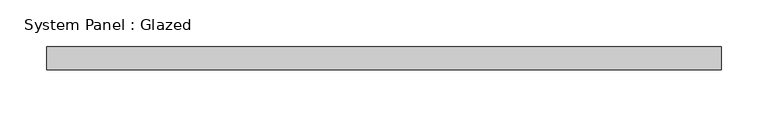
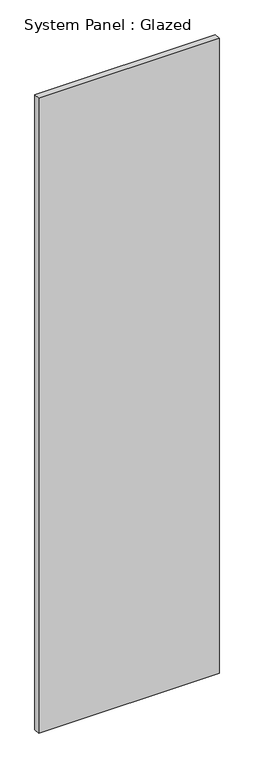
"""IFC4 building model written with IfcOpenShell, lengths in millimetres: plate geometry, System Panel : Glazed."""

from ifc_helpers import new_model, si_unit, origin, origin_with_axes, place, context, project, spatial, polyline, outline, extrude, source, transform, mapped, element, save


def system_panel_glazed_2aec3ce9(model_context):
    return source(origin(), model_context, "Body", "SweptSolid", [
        extrude(outline(polyline([(361.8884337, 24.5), (-361.8884337, 24.5), (-361.8884337, 49.5), (361.8884337, 49.5), (361.8884337, 24.5)])), origin_with_axes(), (0.0, 0.0, 1.0), 2690.0),
    ])


if __name__ == "__main__":
    model = new_model("IFC4")
    model_context = context("Model", 3, world=origin())
    ifc_project = project(units=[si_unit("LENGTHUNIT", "METRE", prefix="MILLI")], contexts=[model_context])
    site = spatial("IfcSite", under=ifc_project)
    building = spatial("IfcBuilding", under=site)
    placement = place(None, origin())
    system_panel_glazed_shape = system_panel_glazed_2aec3ce9(model_context)
    element("IfcPlate", 1, ObjectType="System Panel : Glazed", at=placement, inside=building, context=model_context, shape_type="MappedRepresentation", body=[
        mapped(system_panel_glazed_shape, transform((0.0, 0.0, 0.0), x_axis=(1.0, 0.0, 0.0), y_axis=(0.0, 1.0, 0.0), z_axis=(0.0, 0.0, 1.0))),
    ])
    save(model, "model.ifc")
